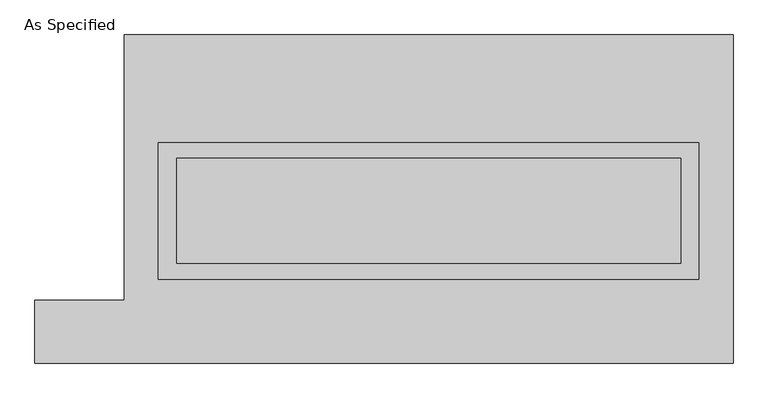
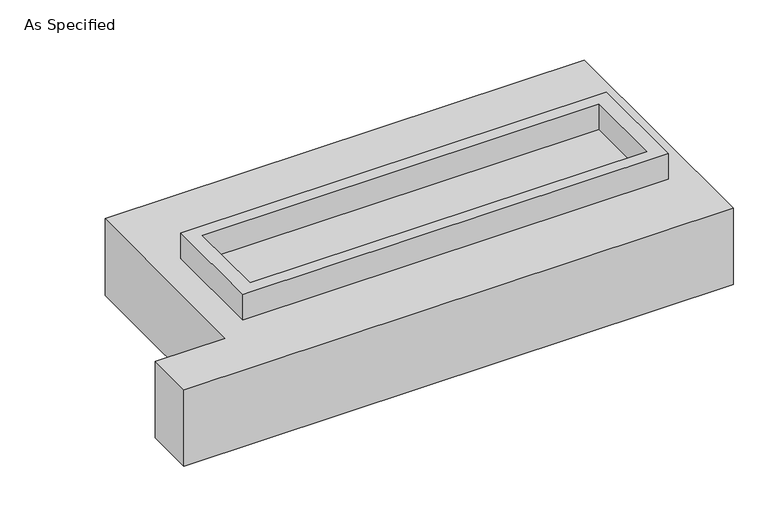
"""IFC4 building model written with IfcOpenShell, lengths in millimetres: proxy geometry, As Specified."""

from ifc_helpers import new_model, si_unit, frame, origin, place, context, project, spatial, polyline, outline, extrude, source, transform, mapped, element, save


def as_specified_8bac9ee7(model_context):
    return source(origin(), model_context, "Body", "SweptSolid", [
        extrude(outline(polyline([(1308.1, 273.05), (1308.1, -387.35), (-1308.1, -387.35), (-1308.1, 273.05), (1308.1, 273.05)]), holes=[polyline([(1219.2, 196.85), (-1219.2, 196.85), (-1219.2, -311.15), (1219.2, -311.15), (1219.2, 196.85)])]), frame((0.0, 0.0, -688.975), z_axis=(0.0, 0.0, 1.0), x_axis=(1.0, 0.0, 0.0)), (0.0, 0.0, 1.0), 165.1),
        extrude(outline(polyline([(1308.1, 273.05), (1308.1, -387.35), (-1308.1, -387.35), (-1308.1, 273.05), (1308.1, 273.05)]), holes=[polyline([(1219.2, 196.85), (-1219.2, 196.85), (-1219.2, -311.15), (1219.2, -311.15), (1219.2, 196.85)])]), frame((0.0, 0.0, -25.4), z_axis=(0.0, 0.0, 1.0), x_axis=(1.0, 0.0, 0.0)), (0.0, 0.0, 1.0), 165.1),
        extrude(outline(polyline([(1219.2, 196.85), (1219.2, -311.15), (-1219.2, -311.15), (-1219.2, 196.85), (1219.2, 196.85)])), frame((0.0, 0.0, -523.875), z_axis=(0.0, 0.0, 1.0), x_axis=(1.0, 0.0, 0.0)), (0.0, 0.0, 1.0), 4.9609375),
        extrude(outline(polyline([(1219.2, 196.85), (1219.2, -311.15), (-1219.2, -311.15), (-1219.2, 196.85), (1219.2, 196.85)])), frame((0.0, 0.0, -30.3609375), z_axis=(0.0, 0.0, 1.0), x_axis=(1.0, 0.0, 0.0)), (0.0, 0.0, 1.0), 4.9609375),
        extrude(outline(polyline([(-1473.2, 793.75), (1473.2, 793.75), (1473.2, -793.75), (-1905.0, -793.75), (-1905.0, -488.95), (-1473.2, -488.95), (-1473.2, 793.75)]), holes=[polyline([(-1308.1, 273.05), (-1308.1, -387.35), (1308.1, -387.35), (1308.1, 273.05), (-1308.1, 273.05)])]), frame((0.0, 0.0, -523.875), z_axis=(0.0, 0.0, 1.0), x_axis=(1.0, 0.0, 0.0)), (0.0, 0.0, 1.0), 498.475),
    ])


if __name__ == "__main__":
    model = new_model("IFC4")
    model_context = context("Model", 3, world=origin())
    ifc_project = project(units=[si_unit("LENGTHUNIT", "METRE", prefix="MILLI")], contexts=[model_context])
    site = spatial("IfcSite", under=ifc_project)
    building = spatial("IfcBuilding", under=site)
    placement = place(None, origin())
    as_specified_shape = as_specified_8bac9ee7(model_context)
    element("IfcBuildingElementProxy", 1, Name="As Specified", ObjectType="As Specified", at=placement, inside=building, context=model_context, shape_type="MappedRepresentation", body=[
        mapped(as_specified_shape, transform((0.0, 0.0, 0.0), x_axis=(1.0, 0.0, 0.0), y_axis=(0.0, 1.0, 0.0), z_axis=(0.0, 0.0, 1.0))),
    ])
    save(model, "model.ifc")
